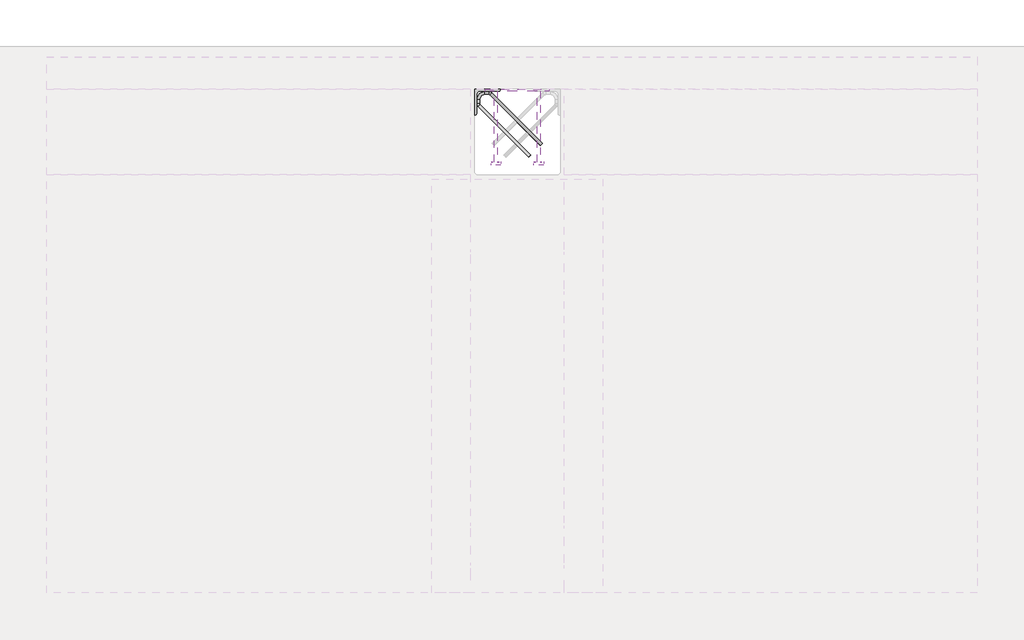
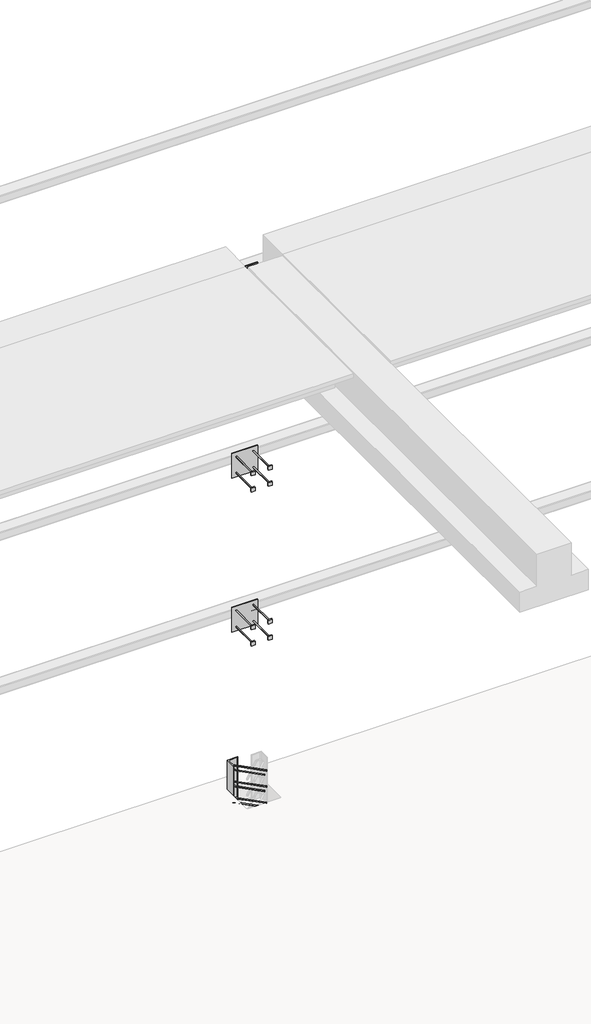
# One storey, part 35 of 65: 4 fasteners.
"""IFC4 building model written with IfcOpenShell, lengths in millimetres."""

from ifc_helpers import new_model, si_unit, point, frame, frame_2d, origin, place, context, project, spatial, polyline, circle_curve, ellipse_curve, trimmed, segment, composite_curve, outline, extrude, element, save
from ifc_brep_helpers import plane_surface, cylinder_surface, revolved_surface, advanced_brep

model = new_model("IFC4")

# Units and contexts
model_context = context("Model", 3, world=origin())
ifc_project = project(units=[si_unit("LENGTHUNIT", "METRE", prefix="MILLI")], contexts=[model_context])

# Site, building, storey
site = spatial("IfcSite", under=ifc_project)
building = spatial("IfcBuilding", under=site)
storey = spatial("IfcBuildingStorey", under=building, Elevation=0.0)

# Fasteners
placement = place(None, origin())
element("IfcFastener", 1, at=placement, inside=storey, context=model_context, shape_type="SolidModel", body=[
    advanced_brep(
    [(19052.5376259, 38682.5628791, 280.0), (19062.4371209, 38692.4623741, 280.0), (19117.4371209, 38747.4623741, 280.0), (19107.5376259, 38737.5628791, 280.0), (18847.0, 38976.0, 280.0), (18847.0, 38990.0, 280.0), (18865.7867966, 38990.0, 280.0), (18865.7867966, 38976.0, 280.0), (18824.0, 38953.0, 280.0), (18810.0, 38953.0, 280.0), (18824.0, 38934.2132034, 280.0), (18810.0, 38934.2132034, 280.0), (18816.4436508, 38918.6568542, 280.0), (18826.3431458, 38928.5563492, 280.0), (18871.4436508, 38973.6568542, 280.0), (18881.3431458, 38983.5563492, 280.0)],
    [
        (0, 1, circle_curve(frame((19057.4873734, 38687.5126266, 280.0), z_axis=(0.7071067811865482, -0.707106781186547, 0.0), x_axis=(0.707106781186547, 0.7071067811865482, 0.0)), 7.0)),
        (1, 0, circle_curve(frame((19057.4873734, 38687.5126266, 280.0), z_axis=(0.7071067811865482, -0.707106781186547, 0.0), x_axis=(0.707106781186547, 0.7071067811865482, 0.0)), 7.0)),
        (2, 3, circle_curve(frame((19112.4873734, 38742.5126266, 280.0), z_axis=(0.707106781186548, -0.707106781186547, 0.0), x_axis=(-0.707106781186547, -0.707106781186548, 0.0)), 7.0)),
        (3, 2, circle_curve(frame((19112.4873734, 38742.5126266, 280.0), z_axis=(0.707106781186548, -0.707106781186547, 0.0), x_axis=(-0.707106781186547, -0.707106781186548, 0.0)), 7.0)),
        (4, 5, circle_curve(frame((18847.0, 38983.0, 280.0), z_axis=(1.0, 0.0, 0.0), x_axis=(0.0, -1.0, 0.0)), 7.0)),
        (5, 6),
        (6, 7, circle_curve(frame((18865.7867966, 38983.0, 280.0), z_axis=(-1.0, 0.0, 0.0), x_axis=(0.0, -1.0, 0.0)), 7.0)),
        (7, 4),
        (5, 4, circle_curve(frame((18847.0, 38983.0, 280.0), z_axis=(1.0, 0.0, 0.0), x_axis=(0.0, -1.0, 0.0)), 7.0)),
        (7, 6, circle_curve(frame((18865.7867966, 38983.0, 280.0), z_axis=(-1.0, 0.0, 0.0), x_axis=(0.0, -1.0, 0.0)), 7.0)),
        (4, 8, circle_curve(frame((18847.0, 38953.0, 280.0), z_axis=(0.0, 0.0, 1.0), x_axis=(-1.0, 0.0, 0.0)), 23.0)),
        (8, 9, circle_curve(frame((18817.0, 38953.0, 280.0), z_axis=(0.0, 1.0, 0.0), x_axis=(1.0, 0.0, 0.0)), 7.0)),
        (9, 5, circle_curve(frame((18847.0, 38953.0, 280.0), z_axis=(0.0, 0.0, -1.0), x_axis=(-1.0, 0.0, 0.0)), 37.0)),
        (9, 8, circle_curve(frame((18817.0, 38953.0, 280.0), z_axis=(0.0, 1.0, 0.0), x_axis=(1.0, 0.0, 0.0)), 7.0)),
        (10, 11, circle_curve(frame((18817.0, 38934.2132034, 280.0), z_axis=(0.0, 1.0, 0.0), x_axis=(1.0, 0.0, 0.0)), 7.0)),
        (11, 9),
        (8, 10),
        (11, 10, circle_curve(frame((18817.0, 38934.2132034, 280.0), z_axis=(0.0, 1.0, 0.0), x_axis=(1.0, 0.0, 0.0)), 7.0)),
        (0, 12),
        (12, 13, circle_curve(frame((18821.3933983, 38923.6066017, 280.0), z_axis=(0.7071067811865482, -0.707106781186547, 0.0), x_axis=(0.707106781186547, 0.7071067811865482, 0.0)), 7.0)),
        (13, 1),
        (13, 12, circle_curve(frame((18821.3933983, 38923.6066017, 280.0), z_axis=(0.7071067811865482, -0.707106781186547, 0.0), x_axis=(0.707106781186547, 0.7071067811865482, 0.0)), 7.0)),
        (10, 13, circle_curve(frame((18832.0, 38934.2132034, 280.0), z_axis=(0.0, 0.0, 1.0), x_axis=(-0.7071067811865468, -0.7071067811865482, 0.0)), 8.0)),
        (12, 11, circle_curve(frame((18832.0, 38934.2132034, 280.0), z_axis=(0.0, 0.0, -1.0), x_axis=(-0.7071067811865468, -0.7071067811865482, 0.0)), 22.0)),
        (14, 7, circle_curve(frame((18865.7867966, 38968.0, 280.0), z_axis=(0.0, 0.0, 1.0), x_axis=(0.0, 1.0, 0.0)), 8.0)),
        (6, 15, circle_curve(frame((18865.7867966, 38968.0, 280.0), z_axis=(0.0, 0.0, -1.0), x_axis=(0.0, 1.0, 0.0)), 22.0)),
        (15, 14, circle_curve(frame((18876.3933983, 38978.6066017, 280.0), z_axis=(-0.7071067811865479, 0.7071067811865471, 0.0), x_axis=(-0.7071067811865471, -0.7071067811865479, 0.0)), 7.0)),
        (14, 15, circle_curve(frame((18876.3933983, 38978.6066017, 280.0), z_axis=(-0.7071067811865476, 0.7071067811865475, 0.0), x_axis=(-0.7071067811865475, -0.7071067811865476, 0.0)), 7.0)),
        (15, 2),
        (3, 14),
    ],
    [
        plane_surface(frame((19057.4873734, 38687.5126266, 280.0), z_axis=(0.7071067811865482, -0.707106781186547, 0.0), x_axis=(0.0, 0.0, -1.0))),
        plane_surface(frame((19112.4873734, 38742.5126266, 280.0), z_axis=(0.707106781186548, -0.707106781186547, 0.0), x_axis=(0.0, 0.0, -1.0))),
        cylinder_surface(frame((18847.0, 38983.0, 280.0), z_axis=(-1.0, 0.0, 0.0), x_axis=(0.0, -1.0, 0.0)), 7.0),
        revolved_surface(trimmed(ellipse_curve(frame((18817.0, 38953.0, 280.0), z_axis=(0.0, -1.0, 0.0), x_axis=(1.0, 0.0, 0.0)), 7.0, 7.0), [point((18810.0, 38953.0, 280.0))], [point((18824.0, 38953.0, 280.0))], True, "CARTESIAN"), (18847.0, 38953.0, 280.0), (0.0, 0.0, -1.0)),
        revolved_surface(trimmed(ellipse_curve(frame((18817.0, 38953.0, 280.0), z_axis=(0.0, -1.0, 0.0), x_axis=(1.0, 0.0, 0.0)), 7.0, 7.0), [point((18824.0, 38953.0, 280.0))], [point((18810.0, 38953.0, 280.0))], True, "CARTESIAN"), (18847.0, 38953.0, 280.0), (0.0, 0.0, -1.0)),
        cylinder_surface(frame((18817.0, 38934.2132034, 280.0), z_axis=(0.0, -1.0, 0.0), x_axis=(1.0, 0.0, 0.0)), 7.0),
        cylinder_surface(frame((19057.4873734, 38687.5126266, 280.0), z_axis=(0.7071067811865482, -0.707106781186547, 0.0), x_axis=(0.707106781186547, 0.7071067811865482, 0.0)), 7.0),
        revolved_surface(trimmed(ellipse_curve(frame((18821.3933983, 38923.6066017, 280.0), z_axis=(0.7071067811865482, -0.7071067811865468, 0.0), x_axis=(0.7071067811865468, 0.7071067811865482, 0.0)), 7.0, 7.0), [point((18816.4436508, 38918.6568542, 280.0))], [point((18826.3431458, 38928.5563492, 280.0))], True, "CARTESIAN"), (18832.0, 38934.2132034, 280.0), (0.0, 0.0, -1.0)),
        revolved_surface(trimmed(ellipse_curve(frame((18821.3933983, 38923.6066017, 280.0), z_axis=(0.7071067811865482, -0.7071067811865468, 0.0), x_axis=(0.7071067811865468, 0.7071067811865482, 0.0)), 7.0, 7.0), [point((18826.3431458, 38928.5563492, 280.0))], [point((18816.4436508, 38918.6568542, 280.0))], True, "CARTESIAN"), (18832.0, 38934.2132034, 280.0), (0.0, 0.0, -1.0)),
        revolved_surface(trimmed(ellipse_curve(frame((18865.7867966, 38983.0, 280.0), z_axis=(-1.0, 0.0, 0.0), x_axis=(0.0, -1.0, 0.0)), 7.0, 7.0), [point((18865.7867966, 38990.0, 280.0))], [point((18865.7867966, 38976.0, 280.0))], True, "CARTESIAN"), (18865.7867966, 38968.0, 280.0), (0.0, 0.0, -1.0)),
        revolved_surface(trimmed(ellipse_curve(frame((18865.7867966, 38983.0, 280.0), z_axis=(-1.0, 0.0, 0.0), x_axis=(0.0, -1.0, 0.0)), 7.0, 7.0), [point((18865.7867966, 38976.0, 280.0))], [point((18865.7867966, 38990.0, 280.0))], True, "CARTESIAN"), (18865.7867966, 38968.0, 280.0), (0.0, 0.0, -1.0)),
        cylinder_surface(frame((18876.3933983, 38978.6066017, 280.0), z_axis=(-0.707106781186548, 0.707106781186547, 0.0), x_axis=(-0.707106781186547, -0.707106781186548, 0.0)), 7.0),
    ],
    [
        (0, [[1, 2]]),
        (1, [[3, 4]]),
        (2, [[5, 6, 7, 8]]),
        (2, [[9, -8, 10, -6]]),
        (3, [[11, 12, 13, -5]]),
        (4, [[-13, 14, -11, -9]]),
        (5, [[15, 16, -12, 17]]),
        (5, [[18, -17, -14, -16]]),
        (6, [[-1, 19, 20, 21]]),
        (6, [[-2, -21, 22, -19]]),
        (7, [[23, -20, 24, -15]]),
        (8, [[-24, -22, -23, -18]]),
        (9, [[25, -7, 26, 27]]),
        (10, [[-26, -10, -25, 28]]),
        (11, [[-27, 29, -4, 30]]),
        (11, [[-28, -30, -3, -29]]),
    ],
),
    advanced_brep(
    [(19062.4371209, 38692.4623741, -120.0), (19052.5376259, 38682.5628791, -120.0), (19107.5376259, 38737.5628791, -120.0), (19117.4371209, 38747.4623741, -120.0), (18847.0, 38990.0, -120.0), (18847.0, 38976.0, -120.0), (18865.7867966, 38976.0, -120.0), (18865.7867966, 38990.0, -120.0), (18810.0, 38953.0, -120.0), (18824.0, 38953.0, -120.0), (18810.0, 38934.2132034, -120.0), (18824.0, 38934.2132034, -120.0), (18826.3431458, 38928.5563492, -120.0), (18816.4436508, 38918.6568542, -120.0), (18881.3431458, 38983.5563492, -120.0), (18871.4436508, 38973.6568542, -120.0)],
    [
        (0, 1, circle_curve(frame((19057.4873734, 38687.5126266, -120.0), z_axis=(0.7071067811865482, -0.707106781186547, 0.0), x_axis=(-0.707106781186547, -0.7071067811865482, 0.0)), 7.0)),
        (1, 0, circle_curve(frame((19057.4873734, 38687.5126266, -120.0), z_axis=(0.7071067811865482, -0.707106781186547, 0.0), x_axis=(-0.707106781186547, -0.7071067811865482, 0.0)), 7.0)),
        (2, 3, circle_curve(frame((19112.4873734, 38742.5126266, -120.0), z_axis=(0.7071067811865481, -0.707106781186547, 0.0), x_axis=(0.707106781186547, 0.7071067811865481, 0.0)), 7.0)),
        (3, 2, circle_curve(frame((19112.4873734, 38742.5126266, -120.0), z_axis=(0.7071067811865481, -0.707106781186547, 0.0), x_axis=(0.707106781186547, 0.7071067811865481, 0.0)), 7.0)),
        (4, 5, circle_curve(frame((18847.0, 38983.0, -120.0), z_axis=(1.0, 0.0, 0.0), x_axis=(0.0, 1.0, 0.0)), 7.0)),
        (5, 6),
        (6, 7, circle_curve(frame((18865.7867966, 38983.0, -120.0), z_axis=(-1.0, 0.0, 0.0), x_axis=(0.0, 1.0, 0.0)), 7.0)),
        (7, 4),
        (5, 4, circle_curve(frame((18847.0, 38983.0, -120.0), z_axis=(1.0, 0.0, 0.0), x_axis=(0.0, 1.0, 0.0)), 7.0)),
        (7, 6, circle_curve(frame((18865.7867966, 38983.0, -120.0), z_axis=(-1.0, 0.0, 0.0), x_axis=(0.0, 1.0, 0.0)), 7.0)),
        (4, 8, circle_curve(frame((18847.0, 38953.0, -120.0), z_axis=(0.0, 0.0, 1.0), x_axis=(-1.0, 0.0, 0.0)), 37.0)),
        (8, 9, circle_curve(frame((18817.0, 38953.0, -120.0), z_axis=(0.0, 1.0, 0.0), x_axis=(-1.0, 0.0, 0.0)), 7.0)),
        (9, 5, circle_curve(frame((18847.0, 38953.0, -120.0), z_axis=(0.0, 0.0, -1.0), x_axis=(-1.0, 0.0, 0.0)), 23.0)),
        (9, 8, circle_curve(frame((18817.0, 38953.0, -120.0), z_axis=(0.0, 1.0, 0.0), x_axis=(-1.0, 0.0, 0.0)), 7.0)),
        (10, 11, circle_curve(frame((18817.0, 38934.2132034, -120.0), z_axis=(0.0, 1.0, 0.0), x_axis=(-1.0, 0.0, 0.0)), 7.0)),
        (11, 9),
        (8, 10),
        (11, 10, circle_curve(frame((18817.0, 38934.2132034, -120.0), z_axis=(0.0, 1.0, 0.0), x_axis=(-1.0, 0.0, 0.0)), 7.0)),
        (0, 12),
        (12, 13, circle_curve(frame((18821.3933983, 38923.6066017, -120.0), z_axis=(0.7071067811865482, -0.707106781186547, 0.0), x_axis=(-0.707106781186547, -0.7071067811865482, 0.0)), 7.0)),
        (13, 1),
        (13, 12, circle_curve(frame((18821.3933983, 38923.6066017, -120.0), z_axis=(0.7071067811865482, -0.707106781186547, 0.0), x_axis=(-0.707106781186547, -0.7071067811865482, 0.0)), 7.0)),
        (10, 13, circle_curve(frame((18832.0, 38934.2132034, -120.0), z_axis=(0.0, 0.0, 1.0), x_axis=(-0.7071067811865468, -0.7071067811865482, 0.0)), 22.0)),
        (12, 11, circle_curve(frame((18832.0, 38934.2132034, -120.0), z_axis=(0.0, 0.0, -1.0), x_axis=(-0.7071067811865468, -0.7071067811865482, 0.0)), 8.0)),
        (14, 7, circle_curve(frame((18865.7867966, 38968.0, -120.0), z_axis=(0.0, 0.0, 1.0), x_axis=(0.0, 1.0, 0.0)), 22.0)),
        (6, 15, circle_curve(frame((18865.7867966, 38968.0, -120.0), z_axis=(0.0, 0.0, -1.0), x_axis=(0.0, 1.0, 0.0)), 8.0)),
        (15, 14, circle_curve(frame((18876.3933983, 38978.6066017, -120.0), z_axis=(-0.7071067811865464, 0.7071067811865487, 0.0), x_axis=(0.7071067811865487, 0.7071067811865464, 0.0)), 7.0)),
        (14, 15, circle_curve(frame((18876.3933983, 38978.6066017, -120.0), z_axis=(-0.7071067811865474, 0.7071067811865477, 0.0), x_axis=(0.7071067811865477, 0.7071067811865474, 0.0)), 7.0)),
        (15, 2),
        (3, 14),
    ],
    [
        plane_surface(frame((19057.4873734, 38687.5126266, -120.0), z_axis=(0.7071067811865482, -0.707106781186547, 0.0), x_axis=(0.0, 0.0, 1.0))),
        plane_surface(frame((19112.4873734, 38742.5126266, -120.0), z_axis=(0.7071067811865481, -0.707106781186547, 0.0), x_axis=(0.0, 0.0, 1.0))),
        cylinder_surface(frame((18847.0, 38983.0, -120.0), z_axis=(-1.0, 0.0, 0.0), x_axis=(0.0, 1.0, 0.0)), 7.0),
        revolved_surface(trimmed(ellipse_curve(frame((18817.0, 38953.0, -120.0), z_axis=(0.0, -1.0, 0.0), x_axis=(-1.0, 0.0, 0.0)), 7.0, 7.0), [point((18824.0, 38953.0, -120.0))], [point((18810.0, 38953.0, -120.0))], True, "CARTESIAN"), (18847.0, 38953.0, -120.0), (0.0, 0.0, -1.0)),
        revolved_surface(trimmed(ellipse_curve(frame((18817.0, 38953.0, -120.0), z_axis=(0.0, -1.0, 0.0), x_axis=(-1.0, 0.0, 0.0)), 7.0, 7.0), [point((18810.0, 38953.0, -120.0))], [point((18824.0, 38953.0, -120.0))], True, "CARTESIAN"), (18847.0, 38953.0, -120.0), (0.0, 0.0, -1.0)),
        cylinder_surface(frame((18817.0, 38934.2132034, -120.0), z_axis=(0.0, -1.0, 0.0), x_axis=(-1.0, 0.0, 0.0)), 7.0),
        cylinder_surface(frame((19057.4873734, 38687.5126266, -120.0), z_axis=(0.7071067811865482, -0.707106781186547, 0.0), x_axis=(-0.707106781186547, -0.7071067811865482, 0.0)), 7.0),
        revolved_surface(trimmed(ellipse_curve(frame((18821.3933983, 38923.6066017, -120.0), z_axis=(0.7071067811865482, -0.7071067811865468, 0.0), x_axis=(-0.7071067811865468, -0.7071067811865482, 0.0)), 7.0, 7.0), [point((18826.3431458, 38928.5563492, -120.0))], [point((18816.4436508, 38918.6568542, -120.0))], True, "CARTESIAN"), (18832.0, 38934.2132034, -120.0), (0.0, 0.0, -1.0)),
        revolved_surface(trimmed(ellipse_curve(frame((18821.3933983, 38923.6066017, -120.0), z_axis=(0.7071067811865482, -0.7071067811865468, 0.0), x_axis=(-0.7071067811865468, -0.7071067811865482, 0.0)), 7.0, 7.0), [point((18816.4436508, 38918.6568542, -120.0))], [point((18826.3431458, 38928.5563492, -120.0))], True, "CARTESIAN"), (18832.0, 38934.2132034, -120.0), (0.0, 0.0, -1.0)),
        revolved_surface(trimmed(ellipse_curve(frame((18865.7867966, 38983.0, -120.0), z_axis=(-1.0, 0.0, 0.0), x_axis=(0.0, 1.0, 0.0)), 7.0, 7.0), [point((18865.7867966, 38976.0, -120.0))], [point((18865.7867966, 38990.0, -120.0))], True, "CARTESIAN"), (18865.7867966, 38968.0, -120.0), (0.0, 0.0, -1.0)),
        revolved_surface(trimmed(ellipse_curve(frame((18865.7867966, 38983.0, -120.0), z_axis=(-1.0, 0.0, 0.0), x_axis=(0.0, 1.0, 0.0)), 7.0, 7.0), [point((18865.7867966, 38990.0, -120.0))], [point((18865.7867966, 38976.0, -120.0))], True, "CARTESIAN"), (18865.7867966, 38968.0, -120.0), (0.0, 0.0, -1.0)),
        cylinder_surface(frame((18876.3933983, 38978.6066017, -120.0), z_axis=(-0.7071067811865481, 0.707106781186547, 0.0), x_axis=(0.707106781186547, 0.7071067811865481, 0.0)), 7.0),
    ],
    [
        (0, [[1, 2]]),
        (1, [[3, 4]]),
        (2, [[5, 6, 7, 8]]),
        (2, [[9, -8, 10, -6]]),
        (3, [[11, 12, 13, -5]]),
        (4, [[-13, 14, -11, -9]]),
        (5, [[15, 16, -12, 17]]),
        (5, [[18, -17, -14, -16]]),
        (6, [[-1, 19, 20, 21]]),
        (6, [[-2, -21, 22, -19]]),
        (7, [[23, -20, 24, -15]]),
        (8, [[-24, -22, -23, -18]]),
        (9, [[25, -7, 26, 27]]),
        (10, [[-26, -10, -25, 28]]),
        (11, [[-27, 29, -4, 30]]),
        (11, [[-28, -30, -3, -29]]),
    ],
),
    advanced_brep(
    [(19062.4371209, 38692.4623741, 80.0), (19052.5376259, 38682.5628791, 80.0), (19107.5376259, 38737.5628791, 80.0), (19117.4371209, 38747.4623741, 80.0), (18847.0, 38990.0, 80.0), (18847.0, 38976.0, 80.0), (18865.7867966, 38976.0, 80.0), (18865.7867966, 38990.0, 80.0), (18810.0, 38953.0, 80.0), (18824.0, 38953.0, 80.0), (18810.0, 38934.2132034, 80.0), (18824.0, 38934.2132034, 80.0), (18826.3431458, 38928.5563492, 80.0), (18816.4436508, 38918.6568542, 80.0), (18881.3431458, 38983.5563492, 80.0), (18871.4436508, 38973.6568542, 80.0)],
    [
        (0, 1, circle_curve(frame((19057.4873734, 38687.5126266, 80.0), z_axis=(0.7071067811865481, -0.7071067811865469, 0.0), x_axis=(-0.7071067811865469, -0.7071067811865481, 0.0)), 7.0)),
        (1, 0, circle_curve(frame((19057.4873734, 38687.5126266, 80.0), z_axis=(0.7071067811865481, -0.7071067811865469, 0.0), x_axis=(-0.7071067811865469, -0.7071067811865481, 0.0)), 7.0)),
        (2, 3, circle_curve(frame((19112.4873734, 38742.5126266, 80.0), z_axis=(0.7071067811865481, -0.707106781186547, 0.0), x_axis=(0.707106781186547, 0.7071067811865481, 0.0)), 7.0)),
        (3, 2, circle_curve(frame((19112.4873734, 38742.5126266, 80.0), z_axis=(0.7071067811865481, -0.707106781186547, 0.0), x_axis=(0.707106781186547, 0.7071067811865481, 0.0)), 7.0)),
        (4, 5, circle_curve(frame((18847.0, 38983.0, 80.0), z_axis=(1.0, 0.0, 0.0), x_axis=(0.0, 1.0, 0.0)), 7.0)),
        (5, 6),
        (6, 7, circle_curve(frame((18865.7867966, 38983.0, 80.0), z_axis=(-1.0, 0.0, 0.0), x_axis=(0.0, 1.0, 0.0)), 7.0)),
        (7, 4),
        (5, 4, circle_curve(frame((18847.0, 38983.0, 80.0), z_axis=(1.0, 0.0, 0.0), x_axis=(0.0, 1.0, 0.0)), 7.0)),
        (7, 6, circle_curve(frame((18865.7867966, 38983.0, 80.0), z_axis=(-1.0, 0.0, 0.0), x_axis=(0.0, 1.0, 0.0)), 7.0)),
        (4, 8, circle_curve(frame((18847.0, 38953.0, 80.0), z_axis=(0.0, 0.0, 1.0), x_axis=(-1.0, 0.0, 0.0)), 37.0)),
        (8, 9, circle_curve(frame((18817.0, 38953.0, 80.0), z_axis=(0.0, 1.0, 0.0), x_axis=(-1.0, 0.0, 0.0)), 7.0)),
        (9, 5, circle_curve(frame((18847.0, 38953.0, 80.0), z_axis=(0.0, 0.0, -1.0), x_axis=(-1.0, 0.0, 0.0)), 23.0)),
        (9, 8, circle_curve(frame((18817.0, 38953.0, 80.0), z_axis=(0.0, 1.0, 0.0), x_axis=(-1.0, 0.0, 0.0)), 7.0)),
        (10, 11, circle_curve(frame((18817.0, 38934.2132034, 80.0), z_axis=(0.0, 1.0, 0.0), x_axis=(-1.0, 0.0, 0.0)), 7.0)),
        (11, 9),
        (8, 10),
        (11, 10, circle_curve(frame((18817.0, 38934.2132034, 80.0), z_axis=(0.0, 1.0, 0.0), x_axis=(-1.0, 0.0, 0.0)), 7.0)),
        (0, 12),
        (12, 13, circle_curve(frame((18821.3933983, 38923.6066017, 80.0), z_axis=(0.7071067811865481, -0.7071067811865469, 0.0), x_axis=(-0.7071067811865469, -0.7071067811865481, 0.0)), 7.0)),
        (13, 1),
        (13, 12, circle_curve(frame((18821.3933983, 38923.6066017, 80.0), z_axis=(0.7071067811865481, -0.7071067811865469, 0.0), x_axis=(-0.7071067811865469, -0.7071067811865481, 0.0)), 7.0)),
        (10, 13, circle_curve(frame((18832.0, 38934.2132034, 80.0), z_axis=(0.0, 0.0, 1.0), x_axis=(-0.7071067811865468, -0.7071067811865482, 0.0)), 22.0)),
        (12, 11, circle_curve(frame((18832.0, 38934.2132034, 80.0), z_axis=(0.0, 0.0, -1.0), x_axis=(-0.7071067811865468, -0.7071067811865482, 0.0)), 8.0)),
        (14, 7, circle_curve(frame((18865.7867966, 38968.0, 80.0), z_axis=(0.0, 0.0, 1.0), x_axis=(0.0, 1.0, 0.0)), 22.0)),
        (6, 15, circle_curve(frame((18865.7867966, 38968.0, 80.0), z_axis=(0.0, 0.0, -1.0), x_axis=(0.0, 1.0, 0.0)), 8.0)),
        (15, 14, circle_curve(frame((18876.3933983, 38978.6066017, 80.0), z_axis=(-0.707106781186548, 0.707106781186547, 0.0), x_axis=(0.707106781186547, 0.707106781186548, 0.0)), 7.0)),
        (14, 15, circle_curve(frame((18876.3933983, 38978.6066017, 80.0), z_axis=(-0.7071067811865479, 0.7071067811865471, 0.0), x_axis=(0.7071067811865471, 0.7071067811865479, 0.0)), 7.0)),
        (15, 2),
        (3, 14),
    ],
    [
        plane_surface(frame((19057.4873734, 38687.5126266, 80.0), z_axis=(0.7071067811865481, -0.7071067811865469, 0.0), x_axis=(0.0, 0.0, 1.0))),
        plane_surface(frame((19112.4873734, 38742.5126266, 80.0), z_axis=(0.707106781186548, -0.7071067811865471, 0.0), x_axis=(0.0, 0.0, 1.0))),
        cylinder_surface(frame((18847.0, 38983.0, 80.0), z_axis=(-1.0, 0.0, 0.0), x_axis=(0.0, 1.0, 0.0)), 7.0),
        revolved_surface(trimmed(ellipse_curve(frame((18817.0, 38953.0, 80.0), z_axis=(0.0, -1.0, 0.0), x_axis=(-1.0, 0.0, 0.0)), 7.0, 7.0), [point((18824.0, 38953.0, 80.0))], [point((18810.0, 38953.0, 80.0))], True, "CARTESIAN"), (18847.0, 38953.0, 80.0), (0.0, 0.0, -1.0)),
        revolved_surface(trimmed(ellipse_curve(frame((18817.0, 38953.0, 80.0), z_axis=(0.0, -1.0, 0.0), x_axis=(-1.0, 0.0, 0.0)), 7.0, 7.0), [point((18810.0, 38953.0, 80.0))], [point((18824.0, 38953.0, 80.0))], True, "CARTESIAN"), (18847.0, 38953.0, 80.0), (0.0, 0.0, -1.0)),
        cylinder_surface(frame((18817.0, 38934.2132034, 80.0), z_axis=(0.0, -1.0, 0.0), x_axis=(-1.0, 0.0, 0.0)), 7.0),
        cylinder_surface(frame((19057.4873734, 38687.5126266, 80.0), z_axis=(0.7071067811865481, -0.7071067811865469, 0.0), x_axis=(-0.7071067811865469, -0.7071067811865481, 0.0)), 7.0),
        revolved_surface(trimmed(ellipse_curve(frame((18821.3933983, 38923.6066017, 80.0), z_axis=(0.7071067811865483, -0.7071067811865467, 0.0), x_axis=(-0.7071067811865467, -0.7071067811865483, 0.0)), 7.0, 7.0), [point((18826.3431458, 38928.5563492, 80.0))], [point((18816.4436508, 38918.6568542, 80.0))], True, "CARTESIAN"), (18832.0, 38934.2132034, 80.0), (0.0, 0.0, -1.0)),
        revolved_surface(trimmed(ellipse_curve(frame((18821.3933983, 38923.6066017, 80.0), z_axis=(0.7071067811865483, -0.7071067811865467, 0.0), x_axis=(-0.7071067811865467, -0.7071067811865483, 0.0)), 7.0, 7.0), [point((18816.4436508, 38918.6568542, 80.0))], [point((18826.3431458, 38928.5563492, 80.0))], True, "CARTESIAN"), (18832.0, 38934.2132034, 80.0), (0.0, 0.0, -1.0)),
        revolved_surface(trimmed(ellipse_curve(frame((18865.7867966, 38983.0, 80.0), z_axis=(-1.0, 0.0, 0.0), x_axis=(0.0, 1.0, 0.0)), 7.0, 7.0), [point((18865.7867966, 38976.0, 80.0))], [point((18865.7867966, 38990.0, 80.0))], True, "CARTESIAN"), (18865.7867966, 38968.0, 80.0), (0.0, 0.0, -1.0)),
        revolved_surface(trimmed(ellipse_curve(frame((18865.7867966, 38983.0, 80.0), z_axis=(-1.0, 0.0, 0.0), x_axis=(0.0, 1.0, 0.0)), 7.0, 7.0), [point((18865.7867966, 38990.0, 80.0))], [point((18865.7867966, 38976.0, 80.0))], True, "CARTESIAN"), (18865.7867966, 38968.0, 80.0), (0.0, 0.0, -1.0)),
        cylinder_surface(frame((18876.3933983, 38978.6066017, 80.0), z_axis=(-0.7071067811865481, 0.707106781186547, 0.0), x_axis=(0.707106781186547, 0.7071067811865481, 0.0)), 7.0),
    ],
    [
        (0, [[1, 2]]),
        (1, [[3, 4]]),
        (2, [[5, 6, 7, 8]]),
        (2, [[9, -8, 10, -6]]),
        (3, [[11, 12, 13, -5]]),
        (4, [[-13, 14, -11, -9]]),
        (5, [[15, 16, -12, 17]]),
        (5, [[18, -17, -14, -16]]),
        (6, [[-1, 19, 20, 21]]),
        (6, [[-2, -21, 22, -19]]),
        (7, [[23, -20, 24, -15]]),
        (8, [[-24, -22, -23, -18]]),
        (9, [[25, -7, 26, 27]]),
        (10, [[-26, -10, -25, 28]]),
        (11, [[-27, 29, -4, 30]]),
        (11, [[-28, -30, -3, -29]]),
    ],
),
    extrude(outline(composite_curve([segment(polyline([(18800.0, 39000.0), (18920.0, 39000.0), (18920.0, 38996.5)]), True, "CONTINUOUS"), segment(trimmed(circle_curve(frame_2d((18913.5, 38996.5)), 6.5), [point((18920.0, 38996.5))], [point((18913.5, 38990.0))], False, "CARTESIAN"), True, "CONTINUOUS"), segment(polyline([(18913.5, 38990.0), (18823.0, 38990.0)]), True, "CONTINUOUS"), segment(trimmed(circle_curve(frame_2d((18823.0, 38977.0)), 13.0), [point((18823.0, 38990.0))], [point((18810.0, 38977.0))], True, "CARTESIAN"), True, "CONTINUOUS"), segment(polyline([(18810.0, 38977.0), (18810.0, 38886.5)]), True, "CONTINUOUS"), segment(trimmed(circle_curve(frame_2d((18803.5, 38886.5)), 6.5), [point((18810.0, 38886.5))], [point((18803.5, 38880.0))], False, "CARTESIAN"), True, "CONTINUOUS"), segment(polyline([(18803.5, 38880.0), (18800.0, 38880.0), (18800.0, 39000.0)]), True, "CONTINUOUS")], self_intersect=False)), frame((0.0, 0.0, -200.0), z_axis=(0.0, 0.0, 1.0), x_axis=(1.0, 0.0, 0.0)), (0.0, 0.0, 1.0), 560.0),
])
element("IfcFastener", 2, ObjectType="ZC : ZC 1", at=placement, inside=storey, context=model_context, shape_type="SweptSolid", body=[
    extrude(outline(polyline([(18877.5, 38660.0), (18922.5, 38660.0), (18922.5, 38644.0), (18877.5, 38644.0), (18877.5, 38660.0)])), frame((0.0, 0.0, 3867.5), z_axis=(0.0, 0.0, 1.0), x_axis=(1.0, 0.0, 0.0)), (0.0, 0.0, 1.0), 45.0),
    extrude(outline(composite_curve([segment(trimmed(circle_curve(frame_2d((3890.0, 18900.0)), 7.0), [point((3890.0, 18893.0))], [point((3890.0, 18907.0))], False, "CARTESIAN"), True, "CONTINUOUS"), segment(trimmed(circle_curve(frame_2d((3890.0, 18900.0)), 7.0), [point((3890.0, 18907.0))], [point((3890.0, 18893.0))], False, "CARTESIAN"), True, "CONTINUOUS")], self_intersect=False)), frame((0.0, 38660.0, 0.0), z_axis=(0.0, 1.0, 0.0), x_axis=(0.0, 0.0, 1.0)), (0.0, 0.0, 1.0), 330.0),
    extrude(outline(polyline([(19077.5, 38660.0), (19122.5, 38660.0), (19122.5, 38644.0), (19077.5, 38644.0), (19077.5, 38660.0)])), frame((0.0, 0.0, 3867.5), z_axis=(0.0, 0.0, 1.0), x_axis=(1.0, 0.0, 0.0)), (0.0, 0.0, 1.0), 45.0),
    extrude(outline(composite_curve([segment(trimmed(circle_curve(frame_2d((3890.0, 19100.0)), 7.0), [point((3890.0, 19093.0))], [point((3890.0, 19107.0))], False, "CARTESIAN"), True, "CONTINUOUS"), segment(trimmed(circle_curve(frame_2d((3890.0, 19100.0)), 7.0), [point((3890.0, 19107.0))], [point((3890.0, 19093.0))], False, "CARTESIAN"), True, "CONTINUOUS")], self_intersect=False)), frame((0.0, 38660.0, 0.0), z_axis=(0.0, 1.0, 0.0), x_axis=(0.0, 0.0, 1.0)), (0.0, 0.0, 1.0), 330.0),
    extrude(outline(polyline([(18877.5, 38660.0), (18922.5, 38660.0), (18922.5, 38644.0), (18877.5, 38644.0), (18877.5, 38660.0)])), frame((0.0, 0.0, 4067.5), z_axis=(0.0, 0.0, 1.0), x_axis=(1.0, 0.0, 0.0)), (0.0, 0.0, 1.0), 45.0),
    extrude(outline(composite_curve([segment(trimmed(circle_curve(frame_2d((4090.0, 18900.0)), 7.0), [point((4090.0, 18893.0))], [point((4090.0, 18907.0))], False, "CARTESIAN"), True, "CONTINUOUS"), segment(trimmed(circle_curve(frame_2d((4090.0, 18900.0)), 7.0), [point((4090.0, 18907.0))], [point((4090.0, 18893.0))], False, "CARTESIAN"), True, "CONTINUOUS")], self_intersect=False)), frame((0.0, 38660.0, 0.0), z_axis=(0.0, 1.0, 0.0), x_axis=(0.0, 0.0, 1.0)), (0.0, 0.0, 1.0), 330.0),
    extrude(outline(polyline([(19077.5, 38660.0), (19122.5, 38660.0), (19122.5, 38644.0), (19077.5, 38644.0), (19077.5, 38660.0)])), frame((0.0, 0.0, 4067.5), z_axis=(0.0, 0.0, 1.0), x_axis=(1.0, 0.0, 0.0)), (0.0, 0.0, 1.0), 45.0),
    extrude(outline(composite_curve([segment(trimmed(circle_curve(frame_2d((4090.0, 19100.0)), 7.0), [point((4090.0, 19093.0))], [point((4090.0, 19107.0))], False, "CARTESIAN"), True, "CONTINUOUS"), segment(trimmed(circle_curve(frame_2d((4090.0, 19100.0)), 7.0), [point((4090.0, 19107.0))], [point((4090.0, 19093.0))], False, "CARTESIAN"), True, "CONTINUOUS")], self_intersect=False)), frame((0.0, 38660.0, 0.0), z_axis=(0.0, 1.0, 0.0), x_axis=(0.0, 0.0, 1.0)), (0.0, 0.0, 1.0), 330.0),
    extrude(outline(polyline([(18850.0, 39000.0), (19150.0, 39000.0), (19150.0, 38990.0), (18850.0, 38990.0), (18850.0, 39000.0)])), frame((0.0, 0.0, 3840.0), z_axis=(0.0, 0.0, 1.0), x_axis=(1.0, 0.0, 0.0)), (0.0, 0.0, 1.0), 300.0),
])
element("IfcFastener", 3, ObjectType="ZC : ZC 1", at=placement, inside=storey, context=model_context, shape_type="SweptSolid", body=[
    extrude(outline(polyline([(18877.5, 38660.0), (18922.5, 38660.0), (18922.5, 38644.0), (18877.5, 38644.0), (18877.5, 38660.0)])), frame((0.0, 0.0, 1962.5), z_axis=(0.0, 0.0, 1.0), x_axis=(1.0, 0.0, 0.0)), (0.0, 0.0, 1.0), 45.0),
    extrude(outline(composite_curve([segment(trimmed(circle_curve(frame_2d((1985.0, 18900.0)), 7.0), [point((1985.0, 18893.0))], [point((1985.0, 18907.0))], False, "CARTESIAN"), True, "CONTINUOUS"), segment(trimmed(circle_curve(frame_2d((1985.0, 18900.0)), 7.0), [point((1985.0, 18907.0))], [point((1985.0, 18893.0))], False, "CARTESIAN"), True, "CONTINUOUS")], self_intersect=False)), frame((0.0, 38660.0, 0.0), z_axis=(0.0, 1.0, 0.0), x_axis=(0.0, 0.0, 1.0)), (0.0, 0.0, 1.0), 330.0),
    extrude(outline(polyline([(19077.5, 38660.0), (19122.5, 38660.0), (19122.5, 38644.0), (19077.5, 38644.0), (19077.5, 38660.0)])), frame((0.0, 0.0, 1962.5), z_axis=(0.0, 0.0, 1.0), x_axis=(1.0, 0.0, 0.0)), (0.0, 0.0, 1.0), 45.0),
    extrude(outline(composite_curve([segment(trimmed(circle_curve(frame_2d((1985.0, 19100.0)), 7.0), [point((1985.0, 19093.0))], [point((1985.0, 19107.0))], False, "CARTESIAN"), True, "CONTINUOUS"), segment(trimmed(circle_curve(frame_2d((1985.0, 19100.0)), 7.0), [point((1985.0, 19107.0))], [point((1985.0, 19093.0))], False, "CARTESIAN"), True, "CONTINUOUS")], self_intersect=False)), frame((0.0, 38660.0, 0.0), z_axis=(0.0, 1.0, 0.0), x_axis=(0.0, 0.0, 1.0)), (0.0, 0.0, 1.0), 330.0),
    extrude(outline(polyline([(18877.5, 38660.0), (18922.5, 38660.0), (18922.5, 38644.0), (18877.5, 38644.0), (18877.5, 38660.0)])), frame((0.0, 0.0, 2162.5), z_axis=(0.0, 0.0, 1.0), x_axis=(1.0, 0.0, 0.0)), (0.0, 0.0, 1.0), 45.0),
    extrude(outline(composite_curve([segment(trimmed(circle_curve(frame_2d((2185.0, 18900.0)), 7.0), [point((2185.0, 18893.0))], [point((2185.0, 18907.0))], False, "CARTESIAN"), True, "CONTINUOUS"), segment(trimmed(circle_curve(frame_2d((2185.0, 18900.0)), 7.0), [point((2185.0, 18907.0))], [point((2185.0, 18893.0))], False, "CARTESIAN"), True, "CONTINUOUS")], self_intersect=False)), frame((0.0, 38660.0, 0.0), z_axis=(0.0, 1.0, 0.0), x_axis=(0.0, 0.0, 1.0)), (0.0, 0.0, 1.0), 330.0),
    extrude(outline(polyline([(19077.5, 38660.0), (19122.5, 38660.0), (19122.5, 38644.0), (19077.5, 38644.0), (19077.5, 38660.0)])), frame((0.0, 0.0, 2162.5), z_axis=(0.0, 0.0, 1.0), x_axis=(1.0, 0.0, 0.0)), (0.0, 0.0, 1.0), 45.0),
    extrude(outline(composite_curve([segment(trimmed(circle_curve(frame_2d((2185.0, 19100.0)), 7.0), [point((2185.0, 19093.0))], [point((2185.0, 19107.0))], False, "CARTESIAN"), True, "CONTINUOUS"), segment(trimmed(circle_curve(frame_2d((2185.0, 19100.0)), 7.0), [point((2185.0, 19107.0))], [point((2185.0, 19093.0))], False, "CARTESIAN"), True, "CONTINUOUS")], self_intersect=False)), frame((0.0, 38660.0, 0.0), z_axis=(0.0, 1.0, 0.0), x_axis=(0.0, 0.0, 1.0)), (0.0, 0.0, 1.0), 330.0),
    extrude(outline(polyline([(18850.0, 39000.0), (19150.0, 39000.0), (19150.0, 38990.0), (18850.0, 38990.0), (18850.0, 39000.0)])), frame((0.0, 0.0, 1935.0), z_axis=(0.0, 0.0, 1.0), x_axis=(1.0, 0.0, 0.0)), (0.0, 0.0, 1.0), 300.0),
])
element("IfcFastener", 4, ObjectType="ZC : ZC 1", at=placement, inside=storey, context=model_context, shape_type="SweptSolid", body=[
    extrude(outline(polyline([(18877.5, 38660.0), (18922.5, 38660.0), (18922.5, 38644.0), (18877.5, 38644.0), (18877.5, 38660.0)])), frame((0.0, 0.0, 6137.5), z_axis=(0.0, 0.0, 1.0), x_axis=(1.0, 0.0, 0.0)), (0.0, 0.0, 1.0), 45.0),
    extrude(outline(composite_curve([segment(trimmed(circle_curve(frame_2d((6160.0, 18900.0)), 7.0), [point((6160.0, 18893.0))], [point((6160.0, 18907.0))], False, "CARTESIAN"), True, "CONTINUOUS"), segment(trimmed(circle_curve(frame_2d((6160.0, 18900.0)), 7.0), [point((6160.0, 18907.0))], [point((6160.0, 18893.0))], False, "CARTESIAN"), True, "CONTINUOUS")], self_intersect=False)), frame((0.0, 38660.0, 0.0), z_axis=(0.0, 1.0, 0.0), x_axis=(0.0, 0.0, 1.0)), (0.0, 0.0, 1.0), 330.0),
    extrude(outline(polyline([(19077.5, 38660.0), (19122.5, 38660.0), (19122.5, 38644.0), (19077.5, 38644.0), (19077.5, 38660.0)])), frame((0.0, 0.0, 6137.5), z_axis=(0.0, 0.0, 1.0), x_axis=(1.0, 0.0, 0.0)), (0.0, 0.0, 1.0), 45.0),
    extrude(outline(composite_curve([segment(trimmed(circle_curve(frame_2d((6160.0, 19100.0)), 7.0), [point((6160.0, 19093.0))], [point((6160.0, 19107.0))], False, "CARTESIAN"), True, "CONTINUOUS"), segment(trimmed(circle_curve(frame_2d((6160.0, 19100.0)), 7.0), [point((6160.0, 19107.0))], [point((6160.0, 19093.0))], False, "CARTESIAN"), True, "CONTINUOUS")], self_intersect=False)), frame((0.0, 38660.0, 0.0), z_axis=(0.0, 1.0, 0.0), x_axis=(0.0, 0.0, 1.0)), (0.0, 0.0, 1.0), 330.0),
    extrude(outline(polyline([(18877.5, 38660.0), (18922.5, 38660.0), (18922.5, 38644.0), (18877.5, 38644.0), (18877.5, 38660.0)])), frame((0.0, 0.0, 6337.5), z_axis=(0.0, 0.0, 1.0), x_axis=(1.0, 0.0, 0.0)), (0.0, 0.0, 1.0), 45.0),
    extrude(outline(composite_curve([segment(trimmed(circle_curve(frame_2d((6360.0, 18900.0)), 7.0), [point((6360.0, 18893.0))], [point((6360.0, 18907.0))], False, "CARTESIAN"), True, "CONTINUOUS"), segment(trimmed(circle_curve(frame_2d((6360.0, 18900.0)), 7.0), [point((6360.0, 18907.0))], [point((6360.0, 18893.0))], False, "CARTESIAN"), True, "CONTINUOUS")], self_intersect=False)), frame((0.0, 38660.0, 0.0), z_axis=(0.0, 1.0, 0.0), x_axis=(0.0, 0.0, 1.0)), (0.0, 0.0, 1.0), 330.0),
    extrude(outline(polyline([(19077.5, 38660.0), (19122.5, 38660.0), (19122.5, 38644.0), (19077.5, 38644.0), (19077.5, 38660.0)])), frame((0.0, 0.0, 6337.5), z_axis=(0.0, 0.0, 1.0), x_axis=(1.0, 0.0, 0.0)), (0.0, 0.0, 1.0), 45.0),
    extrude(outline(composite_curve([segment(trimmed(circle_curve(frame_2d((6360.0, 19100.0)), 7.0), [point((6360.0, 19093.0))], [point((6360.0, 19107.0))], False, "CARTESIAN"), True, "CONTINUOUS"), segment(trimmed(circle_curve(frame_2d((6360.0, 19100.0)), 7.0), [point((6360.0, 19107.0))], [point((6360.0, 19093.0))], False, "CARTESIAN"), True, "CONTINUOUS")], self_intersect=False)), frame((0.0, 38660.0, 0.0), z_axis=(0.0, 1.0, 0.0), x_axis=(0.0, 0.0, 1.0)), (0.0, 0.0, 1.0), 330.0),
    extrude(outline(polyline([(18850.0, 39000.0), (19150.0, 39000.0), (19150.0, 38990.0), (18850.0, 38990.0), (18850.0, 39000.0)])), frame((0.0, 0.0, 6110.0), z_axis=(0.0, 0.0, 1.0), x_axis=(1.0, 0.0, 0.0)), (0.0, 0.0, 1.0), 300.0),
])

save(model, "model.ifc")
